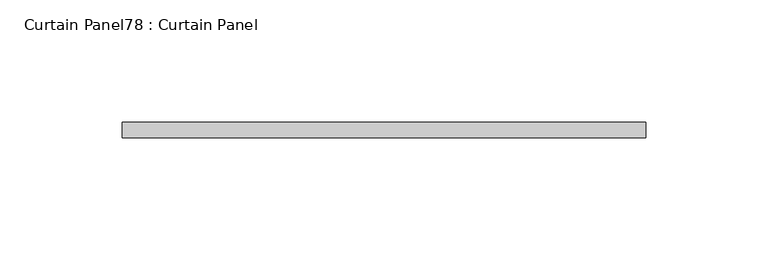
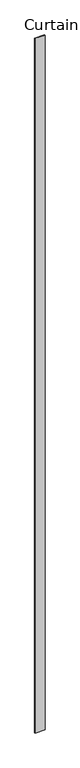
"""IFC4 building model written with IfcOpenShell, lengths in millimetres: plate geometry, Curtain Panel78 : Curtain Panel."""

from ifc_helpers import new_model, si_unit, frame, origin, place, context, project, spatial, polyline, outline, extrude, source, transform, mapped, element, save


def curtain_panel78_curtain_panel_f18997a9(model_context):
    return source(origin(), model_context, "Body", "SweptSolid", [
        extrude(outline(polyline([(168781.8917433, 7973.0209949), (168567.5296375, 7973.0209949), (168567.5296375, 7979.3709949), (168781.8917433, 7979.3709949), (168781.8917433, 7973.0209949)])), frame((0.0, 0.0, 1433.7679301), z_axis=(0.0, 0.0, 1.0), x_axis=(1.0, 0.0, 0.0)), (0.0, 0.0, 1.0), 15694.1632265),
    ])


if __name__ == "__main__":
    model = new_model("IFC4")
    model_context = context("Model", 3, world=origin())
    ifc_project = project(units=[si_unit("LENGTHUNIT", "METRE", prefix="MILLI")], contexts=[model_context])
    site = spatial("IfcSite", under=ifc_project)
    building = spatial("IfcBuilding", under=site)
    placement = place(None, origin())
    curtain_panel78_curtain_panel_shape = curtain_panel78_curtain_panel_f18997a9(model_context)
    element("IfcPlate", 1, ObjectType="Curtain Panel78 : Curtain Panel", at=placement, inside=building, context=model_context, shape_type="MappedRepresentation", body=[
        mapped(curtain_panel78_curtain_panel_shape, transform((0.0, 0.0, 0.0), x_axis=(1.0, 0.0, 0.0), y_axis=(0.0, 1.0, 0.0), z_axis=(0.0, 0.0, 1.0))),
    ])
    save(model, "model.ifc")
